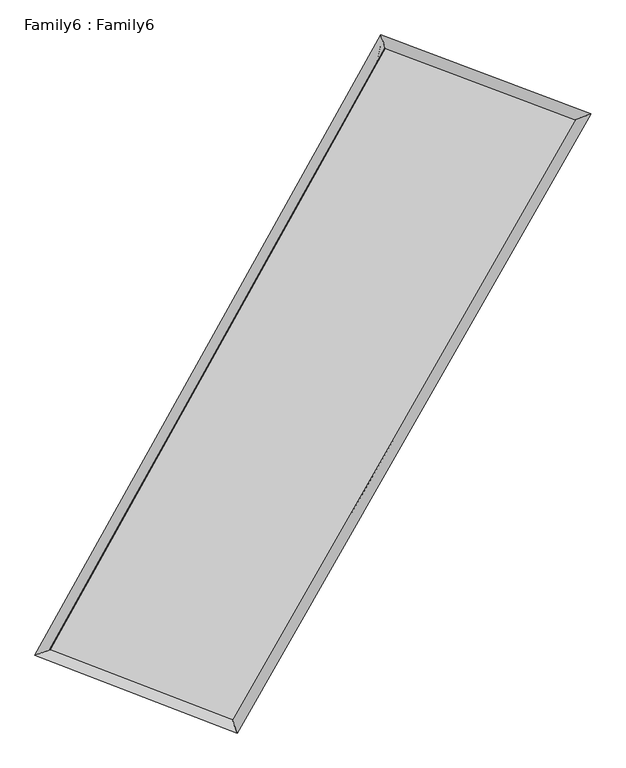
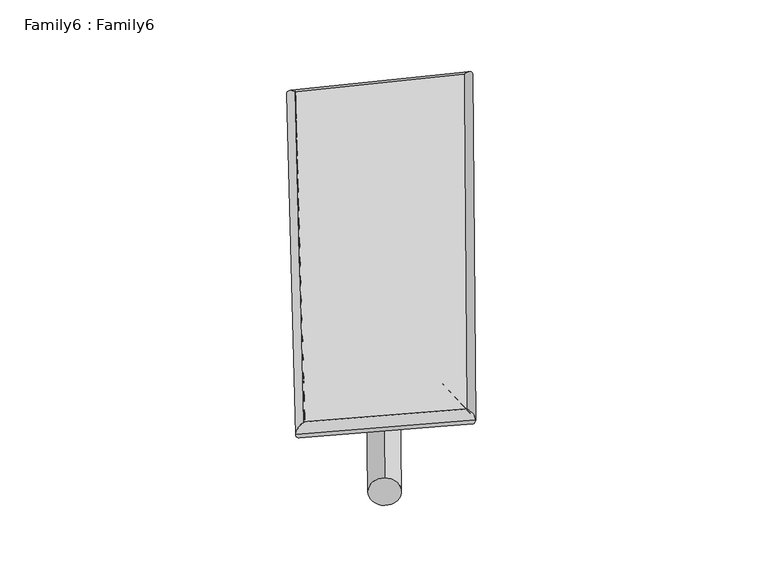
"""IFC4 building model written with IfcOpenShell, lengths in millimetres: plate geometry, Family6 : Family6."""

from ifc_helpers import new_model, si_unit, point, frame, origin, origin_2d, place, context, project, spatial, circle_curve, ellipse_curve, trimmed, segment, composite_curve, outline, extrude, source, transform, mapped, element, save
from ifc_brep_helpers import plane_surface, cylinder_surface, spline_surface, advanced_brep


def family6_family6_e6b929d6(model_context):
    return source(origin(), model_context, "Body", "SolidModel", [
        extrude(outline(composite_curve([segment(trimmed(circle_curve(origin_2d(), 76.2), [point((-75.4341515, -10.7763074))], [point((75.4341515, 10.7763074))], False, "CARTESIAN"), True, "CONTINUOUS"), segment(trimmed(circle_curve(origin_2d(), 76.2), [point((75.4341515, 10.7763074))], [point((-75.4341515, -10.7763074))], False, "CARTESIAN"), True, "CONTINUOUS")], self_intersect=False)), frame((9144.0, 9144.0, 0.0), z_axis=(0.6834128466898504, 0.6822866937699382, 0.25967623781116717), x_axis=(-0.673502507619787, 0.7265031944164065, -0.13633591138293555)), (0.0, 0.0, 1.0), 5942.0035533),
        extrude(outline(composite_curve([segment(trimmed(circle_curve(origin_2d(), 76.2), [point((-53.8815367, 53.8815367))], [point((53.8815367, -53.8815367))], False, "CARTESIAN"), True, "CONTINUOUS"), segment(trimmed(circle_curve(origin_2d(), 76.2), [point((53.8815367, -53.8815367))], [point((-53.8815367, 53.8815367))], False, "CARTESIAN"), True, "CONTINUOUS")], self_intersect=False)), frame((9144.0, 9144.0, 0.0), z_axis=(-0.6770640489283146, -0.6879712736736969, 0.2613040379492594), x_axis=(0.634471907958393, -0.36578942079206195, 0.6809137226170761)), (0.0, 0.0, 1.0), 5906.7848513),
        extrude(outline(composite_curve([segment(trimmed(circle_curve(origin_2d(), 76.2), [point((-53.8815367, -53.8815367))], [point((53.8815367, 53.8815367))], False, "CARTESIAN"), True, "CONTINUOUS"), segment(trimmed(circle_curve(origin_2d(), 76.2), [point((53.8815367, 53.8815367))], [point((-53.8815367, -53.8815367))], False, "CARTESIAN"), True, "CONTINUOUS")], self_intersect=False)), frame((9144.0, 9144.0, 0.0), z_axis=(0.20703231640874678, 0.9391609755406983, 0.2740698487318014), x_axis=(-0.8511057685150224, 0.3110428058429309, -0.42293184289411206)), (0.0, 0.0, 1.0), 5487.0663234),
        extrude(outline(composite_curve([segment(trimmed(circle_curve(origin_2d(), 76.2), [point((-75.4341514, 10.7763073))], [point((75.4341514, -10.7763073))], False, "CARTESIAN"), True, "CONTINUOUS"), segment(trimmed(circle_curve(origin_2d(), 76.2), [point((75.4341514, -10.7763073))], [point((-75.4341514, 10.7763073))], False, "CARTESIAN"), True, "CONTINUOUS")], self_intersect=False)), frame((9144.0, 9144.0, 0.0), z_axis=(-0.2175231014494432, -0.9368588872796576, 0.27382316494580433), x_axis=(0.8941319493086913, -0.07875977363504567, 0.4408230430483373)), (0.0, 0.0, 1.0), 5489.5186698),
        advanced_brep(
        [(4926.2049379, 5001.1560467, 1541.252846), (4926.1720844, 5001.0996656, 1546.9315896), (5363.251727, 5159.4473585, 1545.6806199), (10349.2304939, 14108.428832, 1507.2053715), (10210.7696085, 14486.0482902, 1500.473503), (5363.2845806, 5159.5037395, 1540.0018762), (12983.7690102, 13118.4294616, 1542.4764942), (13425.9141166, 13277.8704559, 1543.5177613), (7882.4944068, 4190.3139586, 1503.8017304), (8017.3113401, 3811.877336, 1502.513022)],
        [
            (0, 1, ellipse_curve(frame((5144.7283325, 5080.3017026, 1543.4667329), z_axis=(-0.3405933445550275, 0.9401818674412193, 0.00736408715060086), x_axis=(-0.9401181252622879, -0.3406592732095307, 0.011365303765216704)), 232.4923647, 152.4)),
            (1, 2, ellipse_curve(frame((5144.7283325, 5080.3017026, 1543.4667329), z_axis=(-0.3405933445550275, 0.9401818674412193, 0.00736408715060086), x_axis=(-0.9401181252622879, -0.3406592732095307, 0.011365303765216704)), 232.4923647, 152.4)),
            (2, 3),
            (3, 4, ellipse_curve(frame((10280.0000512, 14297.2385611, 1503.8394372), z_axis=(-0.9388268672937208, -0.34434078975283217, -0.0057908341242378395), x_axis=(0.3442519052972999, -0.9387943880351702, 0.012478889888485365)), 201.1314029, 152.4)),
            (4, 0),
            (2, 5, ellipse_curve(frame((5144.7283325, 5080.3017026, 1543.4667329), z_axis=(-0.3405933445550275, 0.9401818674412193, 0.00736408715060086), x_axis=(-0.9401181252622879, -0.3406592732095307, 0.011365303765216704)), 232.4923647, 152.4)),
            (5, 0, ellipse_curve(frame((5144.7283325, 5080.3017026, 1543.4667329), z_axis=(-0.3405933445550275, 0.9401818674412193, 0.00736408715060086), x_axis=(-0.9401181252622879, -0.3406592732095307, 0.011365303765216704)), 232.4923647, 152.4)),
            (4, 3, ellipse_curve(frame((10280.0000512, 14297.2385611, 1503.8394372), z_axis=(-0.9388268672937208, -0.34434078975283217, -0.0057908341242378395), x_axis=(0.3442519052972999, -0.9387943880351702, 0.012478889888485365)), 201.1314029, 152.4)),
            (3, 6),
            (6, 7, ellipse_curve(frame((13204.8415634, 13198.1499587, 1542.9971278), z_axis=(-0.33920376978099476, 0.9406886161596627, -0.006762395580010804), x_axis=(-0.940631711945304, -0.3392601784816761, -0.010701111130523131)), 235.0195388, 152.4)),
            (7, 4),
            (7, 6, ellipse_curve(frame((13204.8415634, 13198.1499587, 1542.9971278), z_axis=(-0.33920376978099476, 0.9406886161596627, -0.006762395580010804), x_axis=(-0.940631711945304, -0.3392601784816761, -0.010701111130523131)), 235.0195388, 152.4)),
            (6, 8),
            (8, 9, ellipse_curve(frame((7949.9028735, 4001.0956473, 1503.1573762), z_axis=(0.9419830046817957, 0.33560032877651247, -0.006359104949006241), x_axis=(-0.33549901922475384, 0.9419483647368836, 0.013179008640219685)), 200.875195, 152.4)),
            (9, 7),
            (9, 8, ellipse_curve(frame((7949.9028735, 4001.0956473, 1503.1573762), z_axis=(0.9419830046817957, 0.33560032877651247, -0.006359104949006241), x_axis=(-0.33549901922475384, 0.9419483647368836, 0.013179008640219685)), 200.875195, 152.4)),
            (8, 5),
            (1, 9),
        ],
        [
            cylinder_surface(frame((5144.7283325, 5080.3017026, 1543.4667329), z_axis=(-0.48670749028801413, -0.8735569317944125, 0.0037557704236583457), x_axis=(-0.873442313626907, 0.486562579761271, -0.018851544820856037)), 152.4),
            cylinder_surface(frame((10280.0000512, 14297.2385611, 1503.8394372), z_axis=(-0.9360162863957049, 0.35173353077095887, -0.012531358002584165), x_axis=(0.3518712040807399, 0.9359802935922801, -0.01129361526171889)), 152.4),
            cylinder_surface(frame((13204.8415634, 13198.1499587, 1542.9971278), z_axis=(0.4960983562702407, 0.8682581844765767, 0.0037611162444555054), x_axis=(0.86826575623273, -0.4960983562702406, -0.0009987289776752122)), 152.4),
            cylinder_surface(frame((7949.9028735, 4001.0956473, 1503.1573762), z_axis=(0.9332290418361404, -0.3590316460468134, -0.013410168176256412), x_axis=(-0.3589632017705626, -0.9333232740691436, 0.007286004081854605)), 152.4),
        ],
        [
            (0, [[1, 2, 3, 4, 5]]),
            (0, [[6, 7, -5, 8, -3]]),
            (1, [[-4, 9, 10, 11]]),
            (1, [[-8, -11, 12, -9]]),
            (2, [[-10, 13, 14, 15]]),
            (2, [[-12, -15, 16, -13]]),
            (3, [[-14, 17, -6, -2, 18]]),
            (3, [[-16, -18, -1, -7, -17]]),
        ],
    ),
        extrude(outline(composite_curve([segment(trimmed(circle_curve(origin_2d(), 304.8), [point((0.0, 304.8))], [point((0.0, -304.8))], False, "CARTESIAN"), True, "CONTINUOUS"), segment(trimmed(circle_curve(origin_2d(), 304.8), [point((0.0, -304.8))], [point((0.0, 304.8))], False, "CARTESIAN"), True, "CONTINUOUS")], self_intersect=False)), frame((11766.2625326, 13756.8723244, -0.0234818), z_axis=(-0.4941963645986749, -0.8693503052267649, 4.425422426371043e-06), x_axis=(-0.8693503052372414, 0.4941963645986749, -1.169939988674683e-06)), (0.0, 0.0, 1.0), 10612.2291479),
        advanced_brep(
        [(5144.7283325, 5080.3017026, 1543.4667329), (7949.9028735, 4001.0956473, 1503.1573762), (7949.8945789, 4001.0978161, 1655.557376), (5144.7200379, 5080.3038714, 1695.8667327), (13204.8415634, 13198.1499587, 1542.9971278), (13204.8332688, 13198.1521275, 1695.3971275), (10280.0000512, 14297.2385611, 1503.8394372), (10279.9917567, 14297.2407299, 1656.239437)],
        [
            (0, 1),
            (1, 2),
            (2, 3),
            (3, 0),
            (1, 4),
            (4, 5),
            (5, 2),
            (4, 6),
            (6, 7),
            (7, 5),
            (6, 0),
            (3, 7),
        ],
        [
            plane_surface(frame((6547.315603, 4540.6986749, 1523.3120546), z_axis=(-0.35906401155655165, -0.9333129354968368, -6.2605142767064095e-06), x_axis=(0.9332290418361404, -0.3590316460468129, -0.013410168176256407))),
            plane_surface(frame((10577.3722184, 8599.622803, 1523.077252), z_axis=(0.8682642230999403, -0.4961020418567219, 5.4316189456370513e-05), x_axis=(0.49609835627024035, 0.8682581844765769, 0.0037611162444555106))),
            plane_surface(frame((11742.4208073, 13747.6942599, 1523.4182825), z_axis=(0.3517610829257471, 0.93608981433674, 5.823527137362693e-06), x_axis=(-0.9360162863957049, 0.3517335307709587, -0.01253135800258416))),
            plane_surface(frame((7712.3641918, 9688.7701318, 1523.6530851), z_axis=(-0.8735631912505035, 0.48671074358920063, -5.447094434535976e-05), x_axis=(-0.48670749028801386, -0.8735569317944124, 0.00375577042365835))),
            spline_surface(1, 1, [[(7949.8945789, 4001.0978161, 1655.557376), (5144.7200379, 5080.3038714, 1695.8667327)], [(13204.8332688, 13198.1521275, 1695.3971275), (10279.9917567, 14297.2407299, 1656.239437)]], [2, 2], [2, 2], [0.0, 1.0], [0.0, 1.0]),
            spline_surface(1, 1, [[(10280.0000512, 14297.2385611, 1503.8394372), (5144.7283325, 5080.3017026, 1543.4667329)], [(13204.8415634, 13198.1499587, 1542.9971278), (7949.9028735, 4001.0956473, 1503.1573762)]], [2, 2], [2, 2], [0.0, 1.0], [0.0, 1.0]),
        ],
        [
            (0, [[1, 2, 3, 4]]),
            (1, [[5, 6, 7, -2]]),
            (2, [[8, 9, 10, -6]]),
            (3, [[11, -4, 12, -9]]),
            (4, [[-3, -7, -10, -12]]),
            (5, [[-11, -8, -5, -1]]),
        ],
    ),
    ])


if __name__ == "__main__":
    model = new_model("IFC4")
    model_context = context("Model", 3, world=origin())
    ifc_project = project(units=[si_unit("LENGTHUNIT", "METRE", prefix="MILLI")], contexts=[model_context])
    site = spatial("IfcSite", under=ifc_project)
    building = spatial("IfcBuilding", under=site)
    placement = place(None, origin())
    family6_family6_shape = family6_family6_e6b929d6(model_context)
    element("IfcPlate", 1, ObjectType="Family6 : Family6", at=placement, inside=building, context=model_context, shape_type="MappedRepresentation", body=[
        mapped(family6_family6_shape, transform((0.0, 0.0, 0.0), x_axis=(1.0, 0.0, 0.0), y_axis=(0.0, 1.0, 0.0), z_axis=(0.0, 0.0, 1.0))),
    ])
    save(model, "model.ifc")
